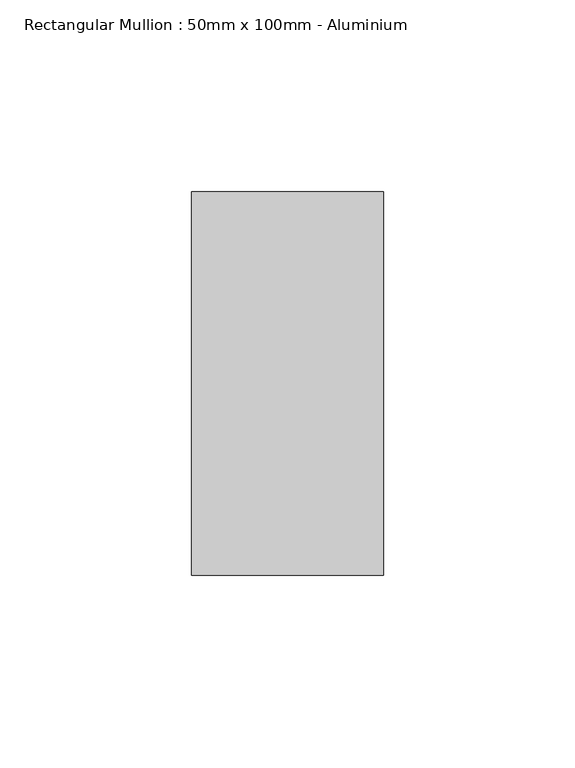
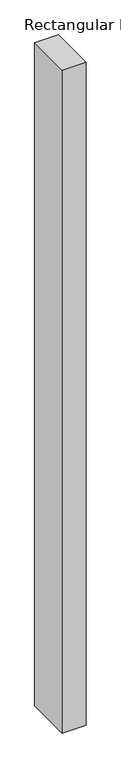
"""IFC4 building model written with IfcOpenShell, lengths in millimetres: member geometry, Rectangular Mullion : 50mm x 100mm - Aluminium."""

from ifc_helpers import new_model, si_unit, frame, origin, place, context, project, spatial, polyline, outline, extrude, source, transform, mapped, element, save


def rectangular_mullion_50mm_x_100mm_aluminium_af5cd94c(model_context):
    return source(origin(), model_context, "Body", "SweptSolid", [
        extrude(outline(polyline([(0.0, 50.0), (0.0, -50.0), (-50.0, -50.0), (-50.0, 50.0), (0.0, 50.0)])), frame((0.0, 0.0, -1475.1327881), z_axis=(0.0, 0.0, 1.0), x_axis=(1.0, 0.0, 0.0)), (0.0, 0.0, 1.0), 1475.1327881),
    ])


if __name__ == "__main__":
    model = new_model("IFC4")
    model_context = context("Model", 3, world=origin())
    ifc_project = project(units=[si_unit("LENGTHUNIT", "METRE", prefix="MILLI")], contexts=[model_context])
    site = spatial("IfcSite", under=ifc_project)
    building = spatial("IfcBuilding", under=site)
    placement = place(None, origin())
    rectangular_mullion_50mm_x_100mm_aluminium_shape = rectangular_mullion_50mm_x_100mm_aluminium_af5cd94c(model_context)
    element("IfcMember", 1, ObjectType="Rectangular Mullion : 50mm x 100mm - Aluminium", at=placement, inside=building, context=model_context, shape_type="MappedRepresentation", body=[
        mapped(rectangular_mullion_50mm_x_100mm_aluminium_shape, transform((0.0, 0.0, 0.0), x_axis=(1.0, 0.0, 0.0), y_axis=(0.0, 1.0, 0.0), z_axis=(0.0, 0.0, 1.0))),
    ])
    save(model, "model.ifc")
